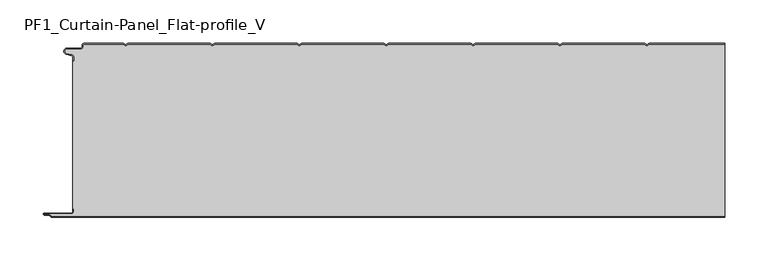
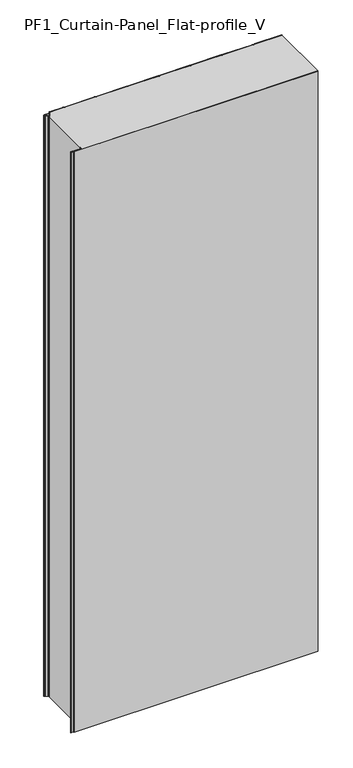
"""IFC4 building model written with IfcOpenShell, lengths in millimetres: plate geometry, PF1_Curtain-Panel_Flat-profile_V."""

import ifcopenshell
import ifcopenshell.guid

model = None  # the IFC model being written
_history = None  # IfcOwnerHistory: only IFC2X3 demands one
_inside = {}  # id of a spatial element -> (the spatial element, [elements in it])
_under = {}  # id of a project, library or spatial element -> (it, [spatial elements below it])
_declared = {}  # id of a project -> (the project, [libraries it declares])
_typed = {}  # id of a type object -> (the type object, [elements of that type])
_made_of = {}  # id of a material, layer set ... -> (it, [elements and type objects made of it])


def new_model(schema):
    """Start an empty IFC model of exactly this schema.

    Asked for "IFC4X3", IfcOpenShell would pick the latest addendum, in which some entities
    have other attributes; the version numbers below select the first issue.
    IFC2X3 requires an IfcOwnerHistory on every rooted entity: one is made here for all.
    """
    global model, _history
    if schema == "IFC4X3":
        model = ifcopenshell.file(schema_version=(4, 3, 0, 0))
    else:
        model = ifcopenshell.file(schema=schema)
    _inside.clear()
    _under.clear()
    _declared.clear()
    _typed.clear()
    _made_of.clear()
    _history = None
    if model.schema == "IFC2X3":
        org = make("IfcOrganization", Name="unknown")
        user = make(
            "IfcPersonAndOrganization",
            ThePerson=make("IfcPerson", FamilyName="unknown"),
            TheOrganization=org,
        )
        app = make(
            "IfcApplication",
            ApplicationDeveloper=org,
            Version="unknown",
            ApplicationFullName="unknown",
            ApplicationIdentifier="unknown",
        )
        _history = make(
            "IfcOwnerHistory",
            OwningUser=user,
            OwningApplication=app,
            ChangeAction="ADDED",
            CreationDate=0,
        )
    return model


def make(cls, **values):
    """One entity of the class cls with the attributes given. An attribute that is None is left unset."""
    return model.create_entity(
        cls, **{name: value for name, value in values.items() if value is not None}
    )


def rooted(cls, **values):
    """An entity with a GlobalId (a new one), such as an element, a storey or a relation."""
    return make(cls, GlobalId=ifcopenshell.guid.new(), OwnerHistory=_history, **values)


def si_unit(unit_type, name, prefix=None):
    """IfcSIUnit, for example si_unit("LENGTHUNIT", "METRE", prefix="MILLI")."""
    return make("IfcSIUnit", UnitType=unit_type, Prefix=prefix, Name=name)


def assignment(units):
    """IfcUnitAssignment: the units of a project."""
    return None if units is None else make("IfcUnitAssignment", Units=units)


def point(xyz):
    """IfcCartesianPoint."""
    return None if xyz is None else make("IfcCartesianPoint", Coordinates=xyz)


def direction(xyz):
    """IfcDirection."""
    return None if xyz is None else make("IfcDirection", DirectionRatios=xyz)


def frame(location, z_axis=None, x_axis=None):
    """IfcAxis2Placement3D, a coordinate frame: its origin and axes. An axis left out is left unset."""
    return make(
        "IfcAxis2Placement3D",
        Location=point(location),
        Axis=direction(z_axis),
        RefDirection=direction(x_axis),
    )


def frame_2d(location, x_axis=None):
    """IfcAxis2Placement2D, a coordinate frame in the plane: its origin and x axis."""
    return make(
        "IfcAxis2Placement2D", Location=point(location), RefDirection=direction(x_axis)
    )


def origin():
    """The frame at (0, 0, 0) with its axes left unset."""
    return frame((0.0, 0.0, 0.0))


def origin_with_axes():
    """The frame at (0, 0, 0) with the z axis (0, 0, 1) and the x axis (1, 0, 0) written out."""
    return frame((0.0, 0.0, 0.0), z_axis=(0.0, 0.0, 1.0), x_axis=(1.0, 0.0, 0.0))


def place(relative_to, where):
    """IfcLocalPlacement: puts the frame where relative to a parent placement (None: the world)."""
    return make(
        "IfcLocalPlacement", PlacementRelTo=relative_to, RelativePlacement=where
    )


def context(
    kind, dimensions, precision=None, world=None, true_north=None, identifier=None
):
    """IfcGeometricRepresentationContext, for example the 3D "Model" context."""
    return make(
        "IfcGeometricRepresentationContext",
        ContextIdentifier=identifier,
        ContextType=kind,
        CoordinateSpaceDimension=dimensions,
        Precision=precision,
        WorldCoordinateSystem=world,
        TrueNorth=true_north,
    )


def project(units=None, contexts=None):
    """IfcProject with its units and contexts."""
    return rooted(
        "IfcProject",
        Name="project",
        RepresentationContexts=contexts,
        UnitsInContext=assignment(units),
    )


def spatial(cls, under=None, at=None, **own):
    """A site, building, storey or space (cls), placed at a placement, below another one or the project."""
    s = rooted(cls, ObjectPlacement=at, **own)
    if under is not None:
        _under.setdefault(under.id(), (under, []))[1].append(s)
    return s


def polyline(points):
    """IfcPolyline through the points."""
    return make("IfcPolyline", Points=[point(p) for p in points])


def circle_curve(where, radius):
    """IfcCircle in the frame where."""
    return make("IfcCircle", Position=where, Radius=radius)


def trimmed(basis, trim1, trim2, sense, master):
    """IfcTrimmedCurve: the piece of a basis curve between two trims."""
    return make(
        "IfcTrimmedCurve",
        BasisCurve=basis,
        Trim1=trim1,
        Trim2=trim2,
        SenseAgreement=sense,
        MasterRepresentation=master,
    )


def segment(curve, same_sense, transition):
    """IfcCompositeCurveSegment."""
    return make(
        "IfcCompositeCurveSegment",
        Transition=transition,
        SameSense=same_sense,
        ParentCurve=curve,
    )


def composite_curve(segments, self_intersect=None):
    """IfcCompositeCurve: segments joined end to end."""
    return make("IfcCompositeCurve", Segments=segments, SelfIntersect=self_intersect)


def outline(outer, holes=None, kind="AREA"):
    """IfcArbitraryClosedProfileDef: a profile drawn as a closed curve; with holes, ...WithVoids."""
    if holes is None:
        return make("IfcArbitraryClosedProfileDef", ProfileType=kind, OuterCurve=outer)
    return make(
        "IfcArbitraryProfileDefWithVoids",
        ProfileType=kind,
        OuterCurve=outer,
        InnerCurves=holes,
    )


def extrude(swept, where, along, depth):
    """IfcExtrudedAreaSolid: the profile swept, set in the frame where, extruded along a direction by depth."""
    return make(
        "IfcExtrudedAreaSolid",
        SweptArea=swept,
        Position=where,
        ExtrudedDirection=direction(along),
        Depth=depth,
    )


def shape(context_of_items, identifier, shape_type, items):
    """IfcShapeRepresentation: the items that make up one representation, for example the "Body"."""
    return make(
        "IfcShapeRepresentation",
        ContextOfItems=context_of_items,
        RepresentationIdentifier=identifier,
        RepresentationType=shape_type,
        Items=items,
    )


def source(mapping_origin, context_of_items, identifier, shape_type, items):
    """IfcRepresentationMap: a shape defined once, which mapped items show again and again."""
    return make(
        "IfcRepresentationMap",
        MappingOrigin=mapping_origin,
        MappedRepresentation=shape(context_of_items, identifier, shape_type, items),
    )


def transform(
    local_origin,
    x_axis=None,
    y_axis=None,
    z_axis=None,
    scale=None,
    scale2=None,
    scale3=None,
    uniform=True,
):
    """IfcCartesianTransformationOperator3D, or its non-uniform kind. x_axis, y_axis, z_axis: its Axis1, 2, 3."""
    if uniform:
        return make(
            "IfcCartesianTransformationOperator3D",
            Axis1=direction(x_axis),
            Axis2=direction(y_axis),
            LocalOrigin=point(local_origin),
            Scale=scale,
            Axis3=direction(z_axis),
        )
    return make(
        "IfcCartesianTransformationOperator3DnonUniform",
        Axis1=direction(x_axis),
        Axis2=direction(y_axis),
        LocalOrigin=point(local_origin),
        Scale=scale,
        Axis3=direction(z_axis),
        Scale2=scale2,
        Scale3=scale3,
    )


def mapped(mapping_source, mapping_target):
    """IfcMappedItem: shows the shape of a source again, moved by a transform."""
    return make(
        "IfcMappedItem", MappingSource=mapping_source, MappingTarget=mapping_target
    )


def made_of(thing, what):
    """Note that an element or type object is made of a material, layer set ...; save() writes the relation."""
    if what is not None:
        _made_of.setdefault(what.id(), (what, []))[1].append(thing)
    return thing


def element(
    cls,
    number,
    at=None,
    inside=None,
    cuts=None,
    type_object=None,
    material=None,
    context=None,
    identifier="Body",
    shape_type=None,
    held_by="IfcProductDefinitionShape",
    body=None,
    shapes=None,
    **own,
):
    """One element of the class cls, such as IfcWall. Its Tag is "e" and its number.

    at: its placement. inside: the storey or other place that contains it. cuts: it is an
    opening in that element (IfcRelVoidsElement). A single representation is given by context,
    identifier, shape_type and body (its items); several are given by shapes. held_by: the class
    of the entity that holds the representations. save() writes the other relations.
    """
    e = rooted(cls, Tag="e%d" % number, ObjectPlacement=at, **own)
    if body is not None:
        shapes = [shape(context, identifier, shape_type, body)]
    if shapes is not None:
        e.Representation = make(held_by, Representations=shapes)
    if inside is not None:
        _inside.setdefault(inside.id(), (inside, []))[1].append(e)
    if cuts is not None:
        rooted(
            "IfcRelVoidsElement", RelatingBuildingElement=cuts, RelatedOpeningElement=e
        )
    if type_object is not None:
        _typed.setdefault(type_object.id(), (type_object, []))[1].append(e)
    return made_of(e, material)


def aggregate(whole, parts):
    """IfcRelAggregates: a whole, such as a stair, and the parts it consists of."""
    return rooted("IfcRelAggregates", RelatingObject=whole, RelatedObjects=parts)


def save(model, path):
    """Write the relations noted so far, then the file.

    IfcRelAggregates (storeys below a building ...), IfcRelContainedInSpatialStructure (elements
    in a storey), IfcRelDefinesByType, IfcRelAssociatesMaterial and IfcRelDeclares: one each for
    every whole, place, type object, material and project.
    """
    for whole, parts in _under.values():
        aggregate(whole, parts)
    for where, things in _inside.values():
        rooted(
            "IfcRelContainedInSpatialStructure",
            RelatedElements=things,
            RelatingStructure=where,
        )
    for kind, things in _typed.values():
        rooted("IfcRelDefinesByType", RelatedObjects=things, RelatingType=kind)
    for what, things in _made_of.values():
        rooted("IfcRelAssociatesMaterial", RelatedObjects=things, RelatingMaterial=what)
    for by, libraries in _declared.values():
        rooted("IfcRelDeclares", RelatingContext=by, RelatedDefinitions=libraries)
    model.write(path)


def pf1_curtain_panel_flat_profile_v_a542d143(model_context):
    return source(origin(), model_context, "Body", "SweptSolid", [
        extrude(outline(composite_curve([segment(trimmed(circle_curve(frame_2d((-377.0119739, -15.878557)), 2.0), [point((-375.0119739, -15.878557))], [point((-376.5620718, -13.9298169))], True, "CARTESIAN"), True, "CONTINUOUS"), segment(polyline([(-376.5620718, -13.9298169), (-382.7217978, -12.507732)]), True, "CONTINUOUS"), segment(trimmed(circle_curve(frame_2d((-381.9119739, -9.0)), 3.6), [point((-382.7217978, -12.507732))], [point((-381.9119739, -5.4))], False, "CARTESIAN"), True, "CONTINUOUS"), segment(polyline([(-381.9119739, -5.4), (-366.4119739, -5.4)]), True, "CONTINUOUS"), segment(trimmed(circle_curve(frame_2d((-366.4119739, -3.4)), 2.0), [point((-366.4119739, -5.4))], [point((-364.4119739, -3.4))], True, "CARTESIAN"), True, "CONTINUOUS"), segment(polyline([(-364.4119739, -3.4), (-364.4119739, -2.0)]), True, "CONTINUOUS"), segment(trimmed(circle_curve(frame_2d((-362.4119739, -2.0)), 2.0), [point((-364.4119739, -2.0))], [point((-362.4119739, 0.0))], False, "CARTESIAN"), True, "CONTINUOUS"), segment(polyline([(-362.4119739, 0.0), (-317.1119734, 0.0), (-314.4119739, -1.5588455), (-311.7119745, 0.0), (-217.1119734, 0.0), (-214.4119739, -1.5588455), (-211.7119745, 0.0), (-117.1119734, 0.0), (-114.4119739, -1.5588455), (-111.7119745, 0.0), (-17.1119734, 0.0), (-14.4119739, -1.5588455), (-11.7119745, 0.0), (82.8880266, 0.0), (85.5880261, -1.5588455), (88.2880255, 0.0), (182.8880266, 0.0), (185.5880261, -1.5588455), (188.2880255, 0.0), (282.8880266, 0.0), (285.5880261, -1.5588455), (288.2880255, 0.0), (375.0119739, 0.0), (375.0119739, -0.8), (288.5023849, -0.8), (285.5880261, -2.482606), (282.6736672, -0.8), (188.5023849, -0.8), (185.5880261, -2.482606), (182.6736672, -0.8), (88.5023849, -0.8), (85.5880261, -2.482606), (82.6736672, -0.8), (-11.4976151, -0.8), (-14.4119739, -2.482606), (-17.3263328, -0.8), (-111.4976151, -0.8), (-114.4119739, -2.482606), (-117.3263328, -0.8), (-211.4976151, -0.8), (-214.4119739, -2.482606), (-217.3263328, -0.8), (-311.4976151, -0.8), (-314.4119739, -2.482606), (-317.3263328, -0.8), (-362.4119739, -0.8)]), True, "CONTINUOUS"), segment(trimmed(circle_curve(frame_2d((-362.4119739, -2.0)), 1.2), [point((-362.4119739, -0.8))], [point((-363.6119739, -2.0))], True, "CARTESIAN"), True, "CONTINUOUS"), segment(polyline([(-363.6119739, -2.0), (-363.6119739, -3.4)]), True, "CONTINUOUS"), segment(trimmed(circle_curve(frame_2d((-366.4119739, -3.4)), 2.8), [point((-363.6119739, -3.4))], [point((-366.4119739, -6.2))], False, "CARTESIAN"), True, "CONTINUOUS"), segment(polyline([(-366.4119739, -6.2), (-381.9119739, -6.2)]), True, "CONTINUOUS"), segment(trimmed(circle_curve(frame_2d((-381.9119739, -9.0)), 2.8), [point((-381.9119739, -6.2))], [point((-382.541837, -11.7282362))], True, "CARTESIAN"), True, "CONTINUOUS"), segment(polyline([(-382.541837, -11.7282362), (-376.3821109, -13.150321)]), True, "CONTINUOUS"), segment(trimmed(circle_curve(frame_2d((-377.0119739, -15.878557)), 2.8), [point((-376.3821109, -13.150321))], [point((-374.2119739, -15.878557))], False, "CARTESIAN"), True, "CONTINUOUS"), segment(polyline([(-374.2119739, -15.878557), (-374.2119739, -20.0), (-375.0119739, -20.0), (-375.0119739, -15.878557)]), True, "CONTINUOUS")], self_intersect=False)), origin_with_axes(), (0.0, 0.0, 1.0), 1945.7507136),
        extrude(outline(composite_curve([segment(polyline([(-374.2119739, -190.0), (-375.0119739, -190.0), (-375.0119739, -20.0), (-374.2119739, -20.0), (-374.2119739, -15.878557)]), True, "CONTINUOUS"), segment(trimmed(circle_curve(frame_2d((-377.0119739, -15.878557)), 2.8), [point((-374.2119739, -15.878557))], [point((-376.3821109, -13.1503208))], True, "CARTESIAN"), True, "CONTINUOUS"), segment(polyline([(-376.3821109, -13.1503208), (-382.5418369, -11.7282362)]), True, "CONTINUOUS"), segment(trimmed(circle_curve(frame_2d((-381.9119739, -9.0)), 2.8), [point((-382.5418369, -11.7282362))], [point((-381.9119739, -6.2))], False, "CARTESIAN"), True, "CONTINUOUS"), segment(polyline([(-381.9119739, -6.2), (-366.4119739, -6.2)]), True, "CONTINUOUS"), segment(trimmed(circle_curve(frame_2d((-366.4119739, -3.4)), 2.8), [point((-366.4119739, -6.2))], [point((-363.6119739, -3.4))], True, "CARTESIAN"), True, "CONTINUOUS"), segment(polyline([(-363.6119739, -3.4), (-363.6119739, -2.0)]), True, "CONTINUOUS"), segment(trimmed(circle_curve(frame_2d((-362.4119739, -2.0)), 1.2), [point((-363.6119739, -2.0))], [point((-362.4119739, -0.8))], False, "CARTESIAN"), True, "CONTINUOUS"), segment(polyline([(-362.4119739, -0.8), (-317.3263328, -0.8), (-314.4119739, -2.482606), (-311.4976151, -0.8), (-217.3263328, -0.8), (-214.4119739, -2.482606), (-211.4976151, -0.8), (-117.3263328, -0.8), (-114.4119739, -2.482606), (-111.4976151, -0.8), (-17.3263328, -0.8), (-14.4119739, -2.482606), (-11.4976151, -0.8), (82.6736672, -0.8), (85.5880261, -2.482606), (88.5023849, -0.8), (182.6736672, -0.8), (185.5880261, -2.482606), (188.5023849, -0.8), (282.6736672, -0.8), (285.5880261, -2.482606), (288.5023849, -0.8), (375.0119739, -0.8), (375.0119739, -199.2), (-399.4119739, -199.2)]), True, "CONTINUOUS"), segment(trimmed(circle_curve(frame_2d((-399.4119739, -198.4)), 0.8), [point((-399.4119739, -199.2))], [point((-400.2119739, -198.4))], False, "CARTESIAN"), True, "CONTINUOUS"), segment(trimmed(circle_curve(frame_2d((-401.9119739, -198.6133333)), 1.7133333), [point((-400.2119739, -198.4))], [point((-401.9119739, -196.9))], True, "CARTESIAN"), True, "CONTINUOUS"), segment(polyline([(-401.9119739, -196.9), (-407.8820051, -196.9)]), True, "CONTINUOUS"), segment(trimmed(circle_curve(frame_2d((-407.8820051, -196.6)), 0.3), [point((-407.8820051, -196.9))], [point((-407.8820051, -196.3))], False, "CARTESIAN"), True, "CONTINUOUS"), segment(polyline([(-407.8820051, -196.3), (-377.0119739, -196.3)]), True, "CONTINUOUS"), segment(trimmed(circle_curve(frame_2d((-377.0119739, -193.5)), 2.8), [point((-377.0119739, -196.3))], [point((-374.2119739, -193.5))], True, "CARTESIAN"), True, "CONTINUOUS"), segment(polyline([(-374.2119739, -193.5), (-374.2119739, -190.0)]), True, "CONTINUOUS")], self_intersect=False)), origin_with_axes(), (0.0, 0.0, 1.0), 1945.7507136),
        extrude(outline(composite_curve([segment(polyline([(-375.0119739, -190.0), (-374.2119739, -190.0), (-374.2119739, -193.5)]), True, "CONTINUOUS"), segment(trimmed(circle_curve(frame_2d((-377.0119739, -193.5)), 2.8), [point((-374.2119739, -193.5))], [point((-377.0119739, -196.3))], False, "CARTESIAN"), True, "CONTINUOUS"), segment(polyline([(-377.0119739, -196.3), (-407.8820051, -196.3)]), True, "CONTINUOUS"), segment(trimmed(circle_curve(frame_2d((-407.8820051, -196.6)), 0.3), [point((-407.8820051, -196.3))], [point((-407.8820051, -196.9))], True, "CARTESIAN"), True, "CONTINUOUS"), segment(polyline([(-407.8820051, -196.9), (-401.9119739, -196.9)]), True, "CONTINUOUS"), segment(trimmed(circle_curve(frame_2d((-401.9119739, -198.6133333)), 1.7133333), [point((-401.9119739, -196.9))], [point((-400.2119739, -198.4))], False, "CARTESIAN"), True, "CONTINUOUS"), segment(trimmed(circle_curve(frame_2d((-399.4119739, -198.4)), 0.8), [point((-400.2119739, -198.4))], [point((-399.4119739, -199.2))], True, "CARTESIAN"), True, "CONTINUOUS"), segment(polyline([(-399.4119739, -199.2), (375.0119739, -199.2), (375.0119739, -200.0), (-399.4119739, -200.0)]), True, "CONTINUOUS"), segment(trimmed(circle_curve(frame_2d((-399.4119739, -198.4)), 1.6), [point((-399.4119739, -200.0))], [point((-401.0119739, -198.4))], False, "CARTESIAN"), True, "CONTINUOUS"), segment(trimmed(circle_curve(frame_2d((-401.9119739, -198.4)), 0.9), [point((-401.0119739, -198.4))], [point((-401.9119739, -197.5))], True, "CARTESIAN"), True, "CONTINUOUS"), segment(polyline([(-401.9119739, -197.5), (-408.0119739, -197.5)]), True, "CONTINUOUS"), segment(trimmed(circle_curve(frame_2d((-408.0119739, -196.5)), 1.0), [point((-408.0119739, -197.5))], [point((-408.0119739, -195.5))], False, "CARTESIAN"), True, "CONTINUOUS"), segment(polyline([(-408.0119739, -195.5), (-377.0119739, -195.5)]), True, "CONTINUOUS"), segment(trimmed(circle_curve(frame_2d((-377.0119739, -193.5)), 2.0), [point((-377.0119739, -195.5))], [point((-375.0119739, -193.5))], True, "CARTESIAN"), True, "CONTINUOUS"), segment(polyline([(-375.0119739, -193.5), (-375.0119739, -190.0)]), True, "CONTINUOUS")], self_intersect=False)), origin_with_axes(), (0.0, 0.0, 1.0), 1945.7507136),
    ])


if __name__ == "__main__":
    model = new_model("IFC4")
    model_context = context("Model", 3, world=origin())
    ifc_project = project(units=[si_unit("LENGTHUNIT", "METRE", prefix="MILLI")], contexts=[model_context])
    site = spatial("IfcSite", under=ifc_project)
    building = spatial("IfcBuilding", under=site)
    placement = place(None, origin())
    pf1_curtain_panel_flat_profile_v_shape = pf1_curtain_panel_flat_profile_v_a542d143(model_context)
    element("IfcPlate", 1, ObjectType="PF1_Curtain-Panel_Flat-profile_V", at=placement, inside=building, context=model_context, shape_type="MappedRepresentation", body=[
        mapped(pf1_curtain_panel_flat_profile_v_shape, transform((0.0, 0.0, 0.0), x_axis=(1.0, 0.0, 0.0), y_axis=(0.0, 1.0, 0.0), z_axis=(0.0, 0.0, 1.0))),
    ])
    save(model, "model.ifc")
